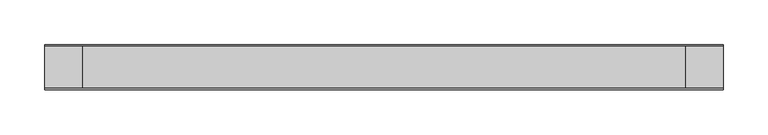
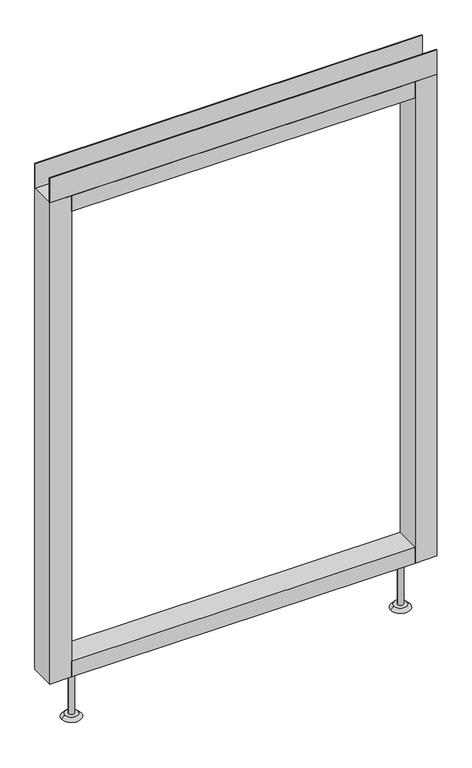
"""IFC4 building model written with IfcOpenShell, lengths in millimetres: furniture geometry."""

from ifc_helpers import new_model, si_unit, point, frame, frame_2d, origin, place, context, project, spatial, polyline, circle_curve, trimmed, segment, composite_curve, outline, extrude, source, transform, mapped, element, save
from ifc_brep_helpers import plane_surface, revolved_surface, advanced_brep


def furniture_580e642d(model_context):
    return source(origin(), model_context, "Body", "SolidModel", [
        advanced_brep(
        [(311.15, 0.0, 6.35), (336.55, 0.0, 6.35), (304.8, 0.0, 0.0), (342.9, 0.0, 0.0)],
        [
            (0, 1, circle_curve(frame((323.85, 0.0, 6.35), z_axis=(0.0, 0.0, 1.0), x_axis=(-1.0, 0.0, 0.0)), 12.7)),
            (1, 0, circle_curve(frame((323.85, 0.0, 6.35), z_axis=(0.0, 0.0, 1.0), x_axis=(1.0, 0.0, 0.0)), 12.7)),
            (2, 3, circle_curve(frame((323.85, 0.0, 0.0), z_axis=(0.0, 0.0, -1.0), x_axis=(1.0, 0.0, 0.0)), 19.05)),
            (3, 2, circle_curve(frame((323.85, 0.0, 0.0), z_axis=(0.0, 0.0, -1.0), x_axis=(-1.0, 0.0, 0.0)), 19.05)),
            (3, 1),
            (0, 2),
        ],
        [
            plane_surface(frame((323.85, 0.0, 6.35), z_axis=(0.0, 0.0, 1.0), x_axis=(0.0, -1.0, 0.0))),
            plane_surface(frame((323.85, 0.0, 0.0), z_axis=(0.0, 0.0, -1.0), x_axis=(0.0, -1.0, 0.0))),
            revolved_surface(polyline([(311.15000000000003, 0.0, 6.35), (304.8, 0.0, 0.0)]), (323.85, 0.0, 19.05), (0.0, 0.0, -1.0)),
            revolved_surface(polyline([(336.55, 0.0, 6.35), (342.9, 0.0, 0.0)]), (323.85, 0.0, 19.05), (0.0, 0.0, -1.0)),
        ],
        [
            (0, [[1, 2]]),
            (1, [[3, 4]]),
            (2, [[-4, 5, -1, 6]]),
            (3, [[-3, -6, -2, -5]]),
        ],
    ),
        advanced_brep(
        [(-336.55, 0.0, 6.35), (-311.15, 0.0, 6.35), (-342.9, 0.0, 0.0), (-304.8, 0.0, 0.0)],
        [
            (0, 1, circle_curve(frame((-323.85, 0.0, 6.35), z_axis=(0.0, 0.0, 1.0), x_axis=(-1.0, 0.0, 0.0)), 12.7)),
            (1, 0, circle_curve(frame((-323.85, 0.0, 6.35), z_axis=(0.0, 0.0, 1.0), x_axis=(1.0, 0.0, 0.0)), 12.7)),
            (2, 3, circle_curve(frame((-323.85, 0.0, 0.0), z_axis=(0.0, 0.0, -1.0), x_axis=(1.0, 0.0, 0.0)), 19.05)),
            (3, 2, circle_curve(frame((-323.85, 0.0, 0.0), z_axis=(0.0, 0.0, -1.0), x_axis=(-1.0, 0.0, 0.0)), 19.05)),
            (3, 1),
            (0, 2),
        ],
        [
            plane_surface(frame((-323.85, 0.0, 6.35), z_axis=(0.0, 0.0, 1.0), x_axis=(0.0, -1.0, 0.0))),
            plane_surface(frame((-323.85, 0.0, 0.0), z_axis=(0.0, 0.0, -1.0), x_axis=(0.0, -1.0, 0.0))),
            revolved_surface(polyline([(-336.55, 0.0, 6.35), (-342.9, 0.0, 0.0)]), (-323.85, 0.0, 19.05), (0.0, 0.0, -1.0)),
            revolved_surface(polyline([(-311.15000000000003, 0.0, 6.35), (-304.8, 0.0, 0.0)]), (-323.85, 0.0, 19.05), (0.0, 0.0, -1.0)),
        ],
        [
            (0, [[1, 2]]),
            (1, [[3, 4]]),
            (2, [[-4, 5, -1, 6]]),
            (3, [[-3, -6, -2, -5]]),
        ],
    ),
        extrude(outline(polyline([(381.0, -23.8125), (381.0, -25.4), (-381.0, -25.4), (-381.0, -23.8125), (381.0, -23.8125)])), frame((0.0, 0.0, 1102.233), z_axis=(0.0, 0.0, 1.0), x_axis=(1.0, 0.0, 0.0)), (0.0, 0.0, 1.0), 51.435),
        extrude(outline(polyline([(381.0, 25.4), (381.0, 23.8125), (-381.0, 23.8125), (-381.0, 25.4), (381.0, 25.4)])), frame((0.0, 0.0, 1102.233), z_axis=(0.0, 0.0, 1.0), x_axis=(1.0, 0.0, 0.0)), (0.0, 0.0, 1.0), 51.435),
        extrude(outline(polyline([(338.1375, -25.4), (-338.1375, -25.4), (-338.1375, 25.4), (338.1375, 25.4), (338.1375, -25.4)])), frame((0.0, 0.0, 1069.34), z_axis=(0.0, 0.0, 1.0), x_axis=(1.0, 0.0, 0.0)), (0.0, 0.0, 1.0), 32.893),
        extrude(outline(polyline([(338.1375, -25.4), (-338.1375, -25.4), (-338.1375, 25.4), (338.1375, 25.4), (338.1375, -25.4)])), frame((0.0, 0.0, 101.6), z_axis=(0.0, 0.0, 1.0), x_axis=(1.0, 0.0, 0.0)), (0.0, 0.0, 1.0), 32.893),
        extrude(outline(composite_curve([segment(trimmed(circle_curve(frame_2d((-323.85, 0.0)), 5.55625), [point((-329.40625, 0.0))], [point((-318.29375, 0.0))], False, "CARTESIAN"), True, "CONTINUOUS"), segment(trimmed(circle_curve(frame_2d((-323.85, 0.0)), 5.55625), [point((-318.29375, 0.0))], [point((-329.40625, 0.0))], False, "CARTESIAN"), True, "CONTINUOUS")], self_intersect=False)), frame((0.0, 0.0, 6.35), z_axis=(0.0, 0.0, 1.0), x_axis=(1.0, 0.0, 0.0)), (0.0, 0.0, 1.0), 95.25),
        extrude(outline(composite_curve([segment(trimmed(circle_curve(frame_2d((323.85, 0.0)), 5.55625), [point((318.29375, 0.0))], [point((329.40625, 0.0))], False, "CARTESIAN"), True, "CONTINUOUS"), segment(trimmed(circle_curve(frame_2d((323.85, 0.0)), 5.55625), [point((329.40625, 0.0))], [point((318.29375, 0.0))], False, "CARTESIAN"), True, "CONTINUOUS")], self_intersect=False)), frame((0.0, 0.0, 6.35), z_axis=(0.0, 0.0, 1.0), x_axis=(1.0, 0.0, 0.0)), (0.0, 0.0, 1.0), 95.25),
        extrude(outline(polyline([(-338.1375, -25.4), (-381.0, -25.4), (-381.0, 25.4), (-338.1375, 25.4), (-338.1375, -25.4)])), frame((0.0, 0.0, 101.6), z_axis=(0.0, 0.0, 1.0), x_axis=(1.0, 0.0, 0.0)), (0.0, 0.0, 1.0), 1000.633),
        extrude(outline(polyline([(381.0, -25.4), (338.1375, -25.4), (338.1375, 25.4), (381.0, 25.4), (381.0, -25.4)])), frame((0.0, 0.0, 101.6), z_axis=(0.0, 0.0, 1.0), x_axis=(1.0, 0.0, 0.0)), (0.0, 0.0, 1.0), 1000.633),
    ])


if __name__ == "__main__":
    model = new_model("IFC4")
    model_context = context("Model", 3, world=origin())
    ifc_project = project(units=[si_unit("LENGTHUNIT", "METRE", prefix="MILLI")], contexts=[model_context])
    site = spatial("IfcSite", under=ifc_project)
    building = spatial("IfcBuilding", under=site)
    placement = place(None, origin())
    furniture_shape = furniture_580e642d(model_context)
    element("IfcFurniture", 1, at=placement, inside=building, context=model_context, shape_type="MappedRepresentation", body=[
        mapped(furniture_shape, transform((0.0, 0.0, 0.0), x_axis=(1.0, 0.0, 0.0), y_axis=(0.0, 1.0, 0.0), z_axis=(0.0, 0.0, 1.0))),
    ])
    save(model, "model.ifc")
